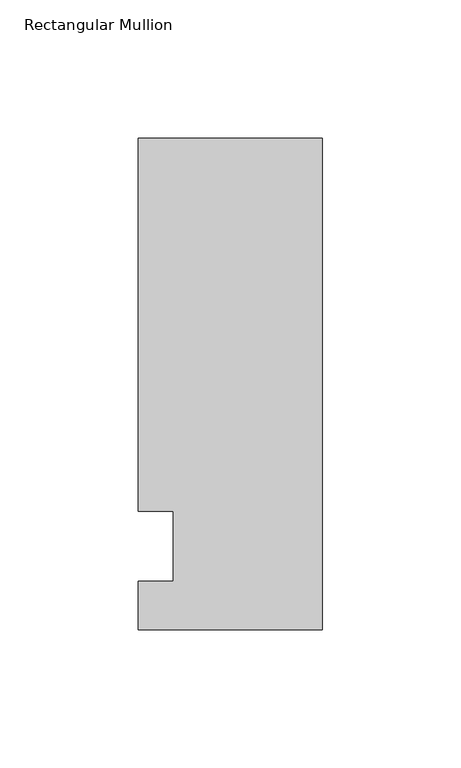
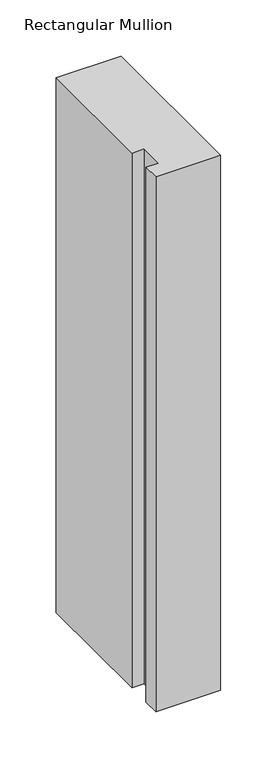
"""IFC4 building model written with IfcOpenShell, lengths in millimetres: member geometry, Rectangular Mullion."""

from ifc_helpers import new_model, si_unit, frame, origin, place, context, project, spatial, polyline, outline, extrude, source, transform, mapped, element, save


def rectangular_mullion_7254ead0(model_context):
    return source(origin(), model_context, "Body", "SweptSolid", [
        extrude(outline(polyline([(-66.675, 147.6375), (0.0, 147.6375), (0.0, -30.1625), (-66.675, -30.1625), (-66.675, -12.7), (-53.9732296, -12.7), (-53.9732296, 12.7), (-66.675, 12.7), (-66.675, 147.6375)])), frame((0.0, 0.0, -581.025), z_axis=(0.0, 0.0, 1.0), x_axis=(1.0, 0.0, 0.0)), (0.0, 0.0, 1.0), 581.025),
    ])


if __name__ == "__main__":
    model = new_model("IFC4")
    model_context = context("Model", 3, world=origin())
    ifc_project = project(units=[si_unit("LENGTHUNIT", "METRE", prefix="MILLI")], contexts=[model_context])
    site = spatial("IfcSite", under=ifc_project)
    building = spatial("IfcBuilding", under=site)
    placement = place(None, origin())
    rectangular_mullion_shape = rectangular_mullion_7254ead0(model_context)
    element("IfcMember", 1, ObjectType="Rectangular Mullion", at=placement, inside=building, context=model_context, shape_type="MappedRepresentation", body=[
        mapped(rectangular_mullion_shape, transform((0.0, 0.0, 0.0), x_axis=(1.0, 0.0, 0.0), y_axis=(0.0, 1.0, 0.0), z_axis=(0.0, 0.0, 1.0))),
    ])
    save(model, "model.ifc")
